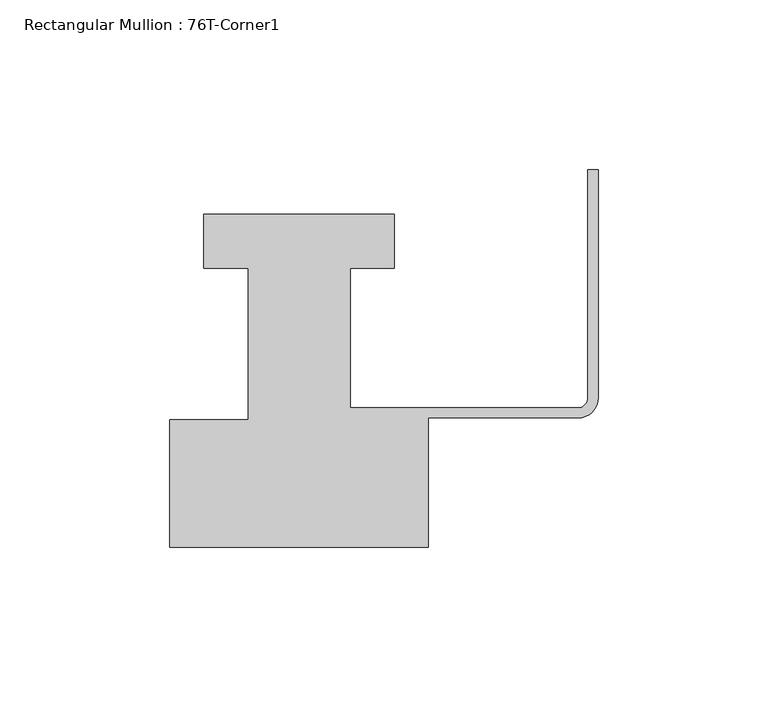
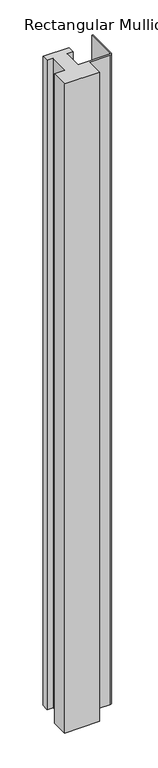
"""IFC4 building model written with IfcOpenShell, lengths in millimetres: member geometry, Rectangular Mullion : 76T-Corner1."""

from ifc_helpers import new_model, si_unit, point, frame, frame_2d, origin, place, context, project, spatial, polyline, circle_curve, trimmed, segment, composite_curve, outline, extrude, source, transform, mapped, element, save


def rectangular_mullion_76t_corner1_104ac39b(model_context):
    return source(origin(), model_context, "Body", "SweptSolid", [
        extrude(outline(composite_curve([segment(polyline([(-126.0, -38.0), (-126.0, -0.5), (-103.0, -0.5), (-103.0, 44.0), (-116.0, 44.0), (-116.0, 60.0), (-60.0, 60.0), (-60.0, 44.0), (-73.0, 44.0), (-73.0, 3.0), (-6.0, 3.0)]), True, "CONTINUOUS"), segment(trimmed(circle_curve(frame_2d((-6.0, 6.0)), 3.0), [point((-6.0, 3.0))], [point((-3.0, 6.0))], True, "CARTESIAN"), True, "CONTINUOUS"), segment(polyline([(-3.0, 6.0), (-3.0, 73.0), (0.0, 73.0), (0.0, 6.0)]), True, "CONTINUOUS"), segment(trimmed(circle_curve(frame_2d((-6.0, 6.0)), 6.0), [point((0.0, 6.0))], [point((-6.0, 0.0))], False, "CARTESIAN"), True, "CONTINUOUS"), segment(polyline([(-6.0, 0.0), (-50.0, 0.0), (-50.0, -38.0), (-126.0, -38.0)]), True, "CONTINUOUS")], self_intersect=False)), frame((0.0, 0.0, -1477.534293), z_axis=(0.0, 0.0, 1.0), x_axis=(1.0, 0.0, 0.0)), (0.0, 0.0, 1.0), 1477.534293),
    ])


if __name__ == "__main__":
    model = new_model("IFC4")
    model_context = context("Model", 3, world=origin())
    ifc_project = project(units=[si_unit("LENGTHUNIT", "METRE", prefix="MILLI")], contexts=[model_context])
    site = spatial("IfcSite", under=ifc_project)
    building = spatial("IfcBuilding", under=site)
    placement = place(None, origin())
    rectangular_mullion_76t_corner1_shape = rectangular_mullion_76t_corner1_104ac39b(model_context)
    element("IfcMember", 1, ObjectType="Rectangular Mullion : 76T-Corner1", at=placement, inside=building, context=model_context, shape_type="MappedRepresentation", body=[
        mapped(rectangular_mullion_76t_corner1_shape, transform((0.0, 0.0, 0.0), x_axis=(1.0, 0.0, 0.0), y_axis=(0.0, 1.0, 0.0), z_axis=(0.0, 0.0, 1.0))),
    ])
    save(model, "model.ifc")
